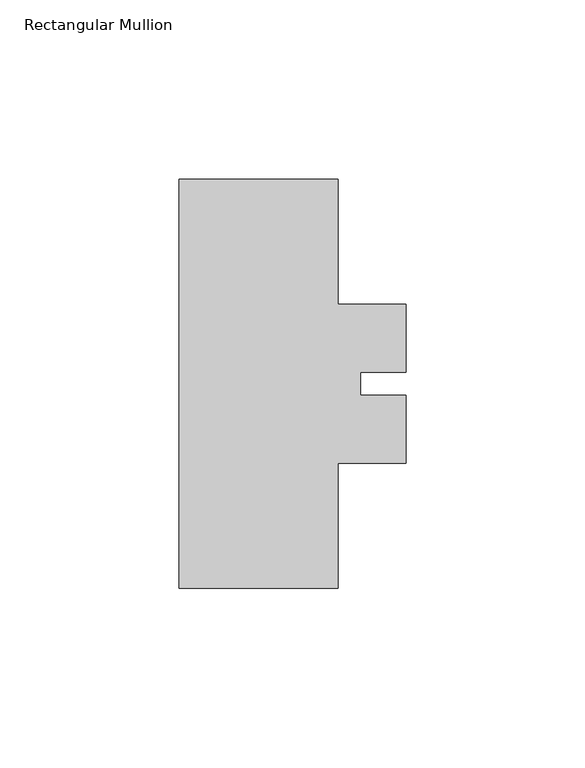
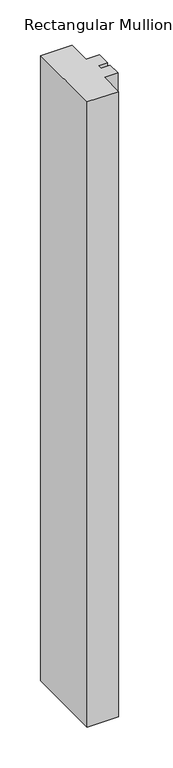
"""IFC4 building model written with IfcOpenShell, lengths in millimetres: member geometry, Rectangular Mullion."""

from ifc_helpers import new_model, si_unit, frame, origin, place, context, project, spatial, polyline, outline, extrude, source, transform, mapped, element, save


def rectangular_mullion_6b20fba9(model_context):
    return source(origin(), model_context, "Body", "SweptSolid", [
        extrude(outline(polyline([(26.5594027, 57.15), (26.5594027, 22.1896686), (45.6091487, 22.1896686), (45.6091487, 3.175), (32.9091487, 3.175), (32.9091487, -3.175), (45.6091487, -3.175), (45.6091487, -22.2603314), (26.5594027, -22.2603314), (26.5594027, -57.15), (-17.8905973, -57.15), (-17.8905973, 57.15), (26.5594027, 57.15)])), frame((0.0, 0.0, -935.4655973), z_axis=(0.0, 0.0, 1.0), x_axis=(1.0, 0.0, 0.0)), (0.0, 0.0, 1.0), 935.4655973),
    ])


if __name__ == "__main__":
    model = new_model("IFC4")
    model_context = context("Model", 3, world=origin())
    ifc_project = project(units=[si_unit("LENGTHUNIT", "METRE", prefix="MILLI")], contexts=[model_context])
    site = spatial("IfcSite", under=ifc_project)
    building = spatial("IfcBuilding", under=site)
    placement = place(None, origin())
    rectangular_mullion_shape = rectangular_mullion_6b20fba9(model_context)
    element("IfcMember", 1, ObjectType="Rectangular Mullion", at=placement, inside=building, context=model_context, shape_type="MappedRepresentation", body=[
        mapped(rectangular_mullion_shape, transform((0.0, 0.0, 0.0), x_axis=(1.0, 0.0, 0.0), y_axis=(0.0, 1.0, 0.0), z_axis=(0.0, 0.0, 1.0))),
    ])
    save(model, "model.ifc")
